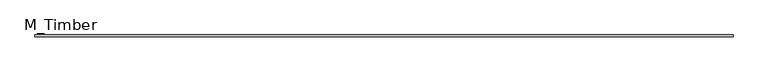
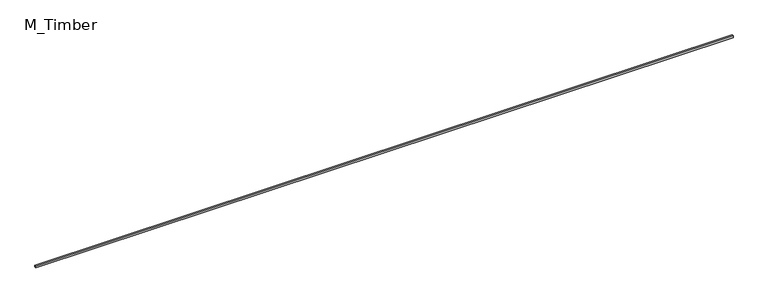
"""IFC4 building model written with IfcOpenShell, lengths in millimetres: beam geometry, M_Timber."""

from ifc_helpers import new_model, si_unit, frame, origin, place, context, project, spatial, polyline, outline, extrude, source, transform, mapped, element, save


def m_timber_15b939e6(model_context):
    return source(origin(), model_context, "Body", "SweptSolid", [
        extrude(outline(polyline([(7928.0580114, 20.0), (7928.0580114, -20.0), (-7928.0580114, -20.0), (-7928.0580114, 20.0), (7928.0580114, 20.0)])), frame((0.0, 0.0, -20.0), z_axis=(0.0, 0.0, 1.0), x_axis=(1.0, 0.0, 0.0)), (0.0, 0.0, 1.0), 40.0),
    ])


if __name__ == "__main__":
    model = new_model("IFC4")
    model_context = context("Model", 3, world=origin())
    ifc_project = project(units=[si_unit("LENGTHUNIT", "METRE", prefix="MILLI")], contexts=[model_context])
    site = spatial("IfcSite", under=ifc_project)
    building = spatial("IfcBuilding", under=site)
    placement = place(None, origin())
    m_timber_shape = m_timber_15b939e6(model_context)
    element("IfcBeam", 1, ObjectType="M_Timber", at=placement, inside=building, context=model_context, shape_type="MappedRepresentation", body=[
        mapped(m_timber_shape, transform((0.0, 0.0, 0.0), x_axis=(1.0, 0.0, 0.0), y_axis=(0.0, 1.0, 0.0), z_axis=(0.0, 0.0, 1.0))),
    ])
    save(model, "model.ifc")
